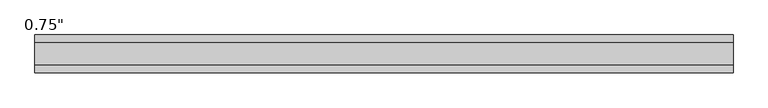
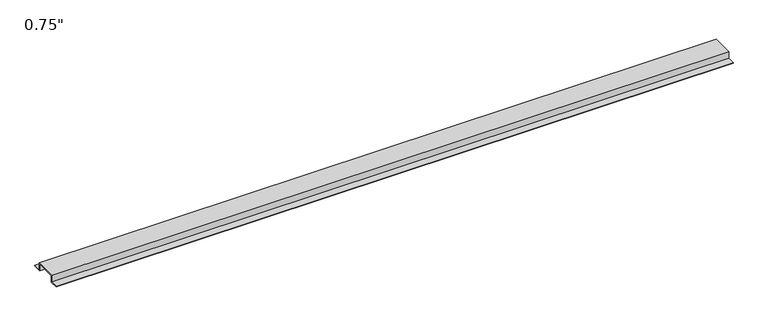
"""IFC4 building model written with IfcOpenShell, lengths in millimetres: proxy geometry."""

import ifcopenshell
import ifcopenshell.guid

model = None  # the IFC model being written
_history = None  # IfcOwnerHistory: only IFC2X3 demands one
_inside = {}  # id of a spatial element -> (the spatial element, [elements in it])
_under = {}  # id of a project, library or spatial element -> (it, [spatial elements below it])
_declared = {}  # id of a project -> (the project, [libraries it declares])
_typed = {}  # id of a type object -> (the type object, [elements of that type])
_made_of = {}  # id of a material, layer set ... -> (it, [elements and type objects made of it])


def new_model(schema):
    """Start an empty IFC model of exactly this schema.

    Asked for "IFC4X3", IfcOpenShell would pick the latest addendum, in which some entities
    have other attributes; the version numbers below select the first issue.
    IFC2X3 requires an IfcOwnerHistory on every rooted entity: one is made here for all.
    """
    global model, _history
    if schema == "IFC4X3":
        model = ifcopenshell.file(schema_version=(4, 3, 0, 0))
    else:
        model = ifcopenshell.file(schema=schema)
    _inside.clear()
    _under.clear()
    _declared.clear()
    _typed.clear()
    _made_of.clear()
    _history = None
    if model.schema == "IFC2X3":
        org = make("IfcOrganization", Name="unknown")
        user = make(
            "IfcPersonAndOrganization",
            ThePerson=make("IfcPerson", FamilyName="unknown"),
            TheOrganization=org,
        )
        app = make(
            "IfcApplication",
            ApplicationDeveloper=org,
            Version="unknown",
            ApplicationFullName="unknown",
            ApplicationIdentifier="unknown",
        )
        _history = make(
            "IfcOwnerHistory",
            OwningUser=user,
            OwningApplication=app,
            ChangeAction="ADDED",
            CreationDate=0,
        )
    return model


def make(cls, **values):
    """One entity of the class cls with the attributes given. An attribute that is None is left unset."""
    return model.create_entity(
        cls, **{name: value for name, value in values.items() if value is not None}
    )


def rooted(cls, **values):
    """An entity with a GlobalId (a new one), such as an element, a storey or a relation."""
    return make(cls, GlobalId=ifcopenshell.guid.new(), OwnerHistory=_history, **values)


def si_unit(unit_type, name, prefix=None):
    """IfcSIUnit, for example si_unit("LENGTHUNIT", "METRE", prefix="MILLI")."""
    return make("IfcSIUnit", UnitType=unit_type, Prefix=prefix, Name=name)


def assignment(units):
    """IfcUnitAssignment: the units of a project."""
    return None if units is None else make("IfcUnitAssignment", Units=units)


def point(xyz):
    """IfcCartesianPoint."""
    return None if xyz is None else make("IfcCartesianPoint", Coordinates=xyz)


def direction(xyz):
    """IfcDirection."""
    return None if xyz is None else make("IfcDirection", DirectionRatios=xyz)


def frame(location, z_axis=None, x_axis=None):
    """IfcAxis2Placement3D, a coordinate frame: its origin and axes. An axis left out is left unset."""
    return make(
        "IfcAxis2Placement3D",
        Location=point(location),
        Axis=direction(z_axis),
        RefDirection=direction(x_axis),
    )


def origin():
    """The frame at (0, 0, 0) with its axes left unset."""
    return frame((0.0, 0.0, 0.0))


def place(relative_to, where):
    """IfcLocalPlacement: puts the frame where relative to a parent placement (None: the world)."""
    return make(
        "IfcLocalPlacement", PlacementRelTo=relative_to, RelativePlacement=where
    )


def context(
    kind, dimensions, precision=None, world=None, true_north=None, identifier=None
):
    """IfcGeometricRepresentationContext, for example the 3D "Model" context."""
    return make(
        "IfcGeometricRepresentationContext",
        ContextIdentifier=identifier,
        ContextType=kind,
        CoordinateSpaceDimension=dimensions,
        Precision=precision,
        WorldCoordinateSystem=world,
        TrueNorth=true_north,
    )


def project(units=None, contexts=None):
    """IfcProject with its units and contexts."""
    return rooted(
        "IfcProject",
        Name="project",
        RepresentationContexts=contexts,
        UnitsInContext=assignment(units),
    )


def spatial(cls, under=None, at=None, **own):
    """A site, building, storey or space (cls), placed at a placement, below another one or the project."""
    s = rooted(cls, ObjectPlacement=at, **own)
    if under is not None:
        _under.setdefault(under.id(), (under, []))[1].append(s)
    return s


def polyline(points):
    """IfcPolyline through the points."""
    return make("IfcPolyline", Points=[point(p) for p in points])


def outline(outer, holes=None, kind="AREA"):
    """IfcArbitraryClosedProfileDef: a profile drawn as a closed curve; with holes, ...WithVoids."""
    if holes is None:
        return make("IfcArbitraryClosedProfileDef", ProfileType=kind, OuterCurve=outer)
    return make(
        "IfcArbitraryProfileDefWithVoids",
        ProfileType=kind,
        OuterCurve=outer,
        InnerCurves=holes,
    )


def extrude(swept, where, along, depth):
    """IfcExtrudedAreaSolid: the profile swept, set in the frame where, extruded along a direction by depth."""
    return make(
        "IfcExtrudedAreaSolid",
        SweptArea=swept,
        Position=where,
        ExtrudedDirection=direction(along),
        Depth=depth,
    )


def shape(context_of_items, identifier, shape_type, items):
    """IfcShapeRepresentation: the items that make up one representation, for example the "Body"."""
    return make(
        "IfcShapeRepresentation",
        ContextOfItems=context_of_items,
        RepresentationIdentifier=identifier,
        RepresentationType=shape_type,
        Items=items,
    )


def source(mapping_origin, context_of_items, identifier, shape_type, items):
    """IfcRepresentationMap: a shape defined once, which mapped items show again and again."""
    return make(
        "IfcRepresentationMap",
        MappingOrigin=mapping_origin,
        MappedRepresentation=shape(context_of_items, identifier, shape_type, items),
    )


def transform(
    local_origin,
    x_axis=None,
    y_axis=None,
    z_axis=None,
    scale=None,
    scale2=None,
    scale3=None,
    uniform=True,
):
    """IfcCartesianTransformationOperator3D, or its non-uniform kind. x_axis, y_axis, z_axis: its Axis1, 2, 3."""
    if uniform:
        return make(
            "IfcCartesianTransformationOperator3D",
            Axis1=direction(x_axis),
            Axis2=direction(y_axis),
            LocalOrigin=point(local_origin),
            Scale=scale,
            Axis3=direction(z_axis),
        )
    return make(
        "IfcCartesianTransformationOperator3DnonUniform",
        Axis1=direction(x_axis),
        Axis2=direction(y_axis),
        LocalOrigin=point(local_origin),
        Scale=scale,
        Axis3=direction(z_axis),
        Scale2=scale2,
        Scale3=scale3,
    )


def mapped(mapping_source, mapping_target):
    """IfcMappedItem: shows the shape of a source again, moved by a transform."""
    return make(
        "IfcMappedItem", MappingSource=mapping_source, MappingTarget=mapping_target
    )


def made_of(thing, what):
    """Note that an element or type object is made of a material, layer set ...; save() writes the relation."""
    if what is not None:
        _made_of.setdefault(what.id(), (what, []))[1].append(thing)
    return thing


def element(
    cls,
    number,
    at=None,
    inside=None,
    cuts=None,
    type_object=None,
    material=None,
    context=None,
    identifier="Body",
    shape_type=None,
    held_by="IfcProductDefinitionShape",
    body=None,
    shapes=None,
    **own,
):
    """One element of the class cls, such as IfcWall. Its Tag is "e" and its number.

    at: its placement. inside: the storey or other place that contains it. cuts: it is an
    opening in that element (IfcRelVoidsElement). A single representation is given by context,
    identifier, shape_type and body (its items); several are given by shapes. held_by: the class
    of the entity that holds the representations. save() writes the other relations.
    """
    e = rooted(cls, Tag="e%d" % number, ObjectPlacement=at, **own)
    if body is not None:
        shapes = [shape(context, identifier, shape_type, body)]
    if shapes is not None:
        e.Representation = make(held_by, Representations=shapes)
    if inside is not None:
        _inside.setdefault(inside.id(), (inside, []))[1].append(e)
    if cuts is not None:
        rooted(
            "IfcRelVoidsElement", RelatingBuildingElement=cuts, RelatedOpeningElement=e
        )
    if type_object is not None:
        _typed.setdefault(type_object.id(), (type_object, []))[1].append(e)
    return made_of(e, material)


def aggregate(whole, parts):
    """IfcRelAggregates: a whole, such as a stair, and the parts it consists of."""
    return rooted("IfcRelAggregates", RelatingObject=whole, RelatedObjects=parts)


def save(model, path):
    """Write the relations noted so far, then the file.

    IfcRelAggregates (storeys below a building ...), IfcRelContainedInSpatialStructure (elements
    in a storey), IfcRelDefinesByType, IfcRelAssociatesMaterial and IfcRelDeclares: one each for
    every whole, place, type object, material and project.
    """
    for whole, parts in _under.values():
        aggregate(whole, parts)
    for where, things in _inside.values():
        rooted(
            "IfcRelContainedInSpatialStructure",
            RelatedElements=things,
            RelatingStructure=where,
        )
    for kind, things in _typed.values():
        rooted("IfcRelDefinesByType", RelatedObjects=things, RelatingType=kind)
    for what, things in _made_of.values():
        rooted("IfcRelAssociatesMaterial", RelatedObjects=things, RelatingMaterial=what)
    for by, libraries in _declared.values():
        rooted("IfcRelDeclares", RelatingContext=by, RelatedDefinitions=libraries)
    model.write(path)


def proxy_799d9fce(model_context):
    return source(origin(), model_context, "Body", "SweptSolid", [
        extrude(outline(polyline([(46.0559645, -17.4625), (25.4, -17.4625), (25.4, 0.0), (-25.4, 0.0), (-25.4, -17.4625), (-46.0559645, -17.4625), (-46.0559645, -15.8492), (-27.0129, -15.8492), (-27.0129, 1.6129), (27.0129, 1.6129), (27.0129, -15.8492), (46.0559645, -15.8492), (46.0559645, -17.4625)])), frame((0.0, 0.0, 0.0), z_axis=(1.0, 0.0, 0.0), x_axis=(0.0, 1.0, 0.0)), (0.0, 0.0, 1.0), 1698.6255),
    ])


if __name__ == "__main__":
    model = new_model("IFC4")
    model_context = context("Model", 3, world=origin())
    ifc_project = project(units=[si_unit("LENGTHUNIT", "METRE", prefix="MILLI")], contexts=[model_context])
    site = spatial("IfcSite", under=ifc_project)
    building = spatial("IfcBuilding", under=site)
    placement = place(None, origin())
    proxy_shape = proxy_799d9fce(model_context)
    element("IfcBuildingElementProxy", 1, Name="0.75\"", ObjectType="0.75\"", at=placement, inside=building, context=model_context, shape_type="MappedRepresentation", body=[
        mapped(proxy_shape, transform((0.0, 0.0, 0.0), x_axis=(1.0, 0.0, 0.0), y_axis=(0.0, 1.0, 0.0), z_axis=(0.0, 0.0, 1.0))),
    ])
    save(model, "model.ifc")
